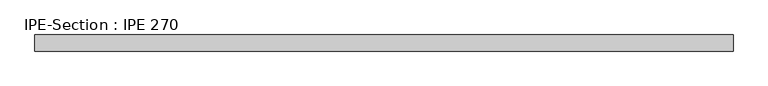
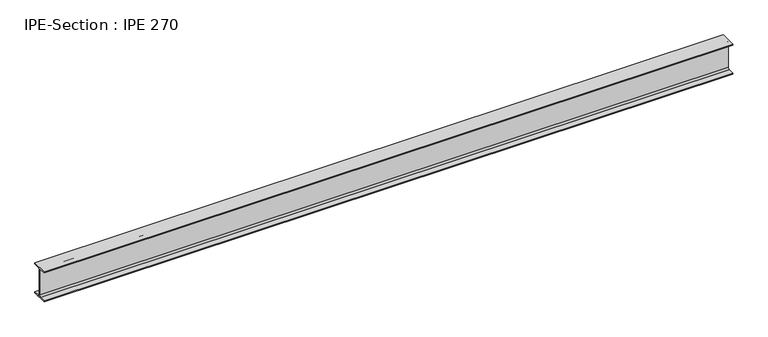
"""IFC4 building model written with IfcOpenShell, lengths in millimetres: beam geometry, IPE-Section : IPE 270."""

from ifc_helpers import new_model, si_unit, point, frame, frame_2d, origin, place, context, project, spatial, polyline, circle_curve, trimmed, segment, composite_curve, outline, extrude, source, transform, mapped, element, save


def ipe_section_ipe_270_469fb8f4(model_context):
    return source(origin(), model_context, "Body", "SweptSolid", [
        extrude(outline(composite_curve([segment(polyline([(67.5, -124.8), (67.5, -135.0), (-67.5, -135.0), (-67.5, -124.8), (-18.3, -124.8)]), True, "CONTINUOUS"), segment(trimmed(circle_curve(frame_2d((-18.3, -109.8)), 15.0), [point((-18.3, -124.8))], [point((-3.3, -109.8))], True, "CARTESIAN"), True, "CONTINUOUS"), segment(polyline([(-3.3, -109.8), (-3.3, 109.8)]), True, "CONTINUOUS"), segment(trimmed(circle_curve(frame_2d((-18.3, 109.8)), 15.0), [point((-3.3, 109.8))], [point((-18.3, 124.8))], True, "CARTESIAN"), True, "CONTINUOUS"), segment(polyline([(-18.3, 124.8), (-67.5, 124.8), (-67.5, 135.0), (67.5, 135.0), (67.5, 124.8), (18.3, 124.8)]), True, "CONTINUOUS"), segment(trimmed(circle_curve(frame_2d((18.3, 109.8)), 15.0), [point((18.3, 124.8))], [point((3.3, 109.8))], True, "CARTESIAN"), True, "CONTINUOUS"), segment(polyline([(3.3, 109.8), (3.3, -109.8)]), True, "CONTINUOUS"), segment(trimmed(circle_curve(frame_2d((18.3, -109.8)), 15.0), [point((3.3, -109.8))], [point((18.3, -124.8))], True, "CARTESIAN"), True, "CONTINUOUS"), segment(polyline([(18.3, -124.8), (67.5, -124.8)]), True, "CONTINUOUS")], self_intersect=False)), frame((-2918.4974916, 0.0, 0.0), z_axis=(1.0, 0.0, 0.0), x_axis=(0.0, 1.0, 0.0)), (0.0, 0.0, 1.0), 5827.9656693),
    ])


if __name__ == "__main__":
    model = new_model("IFC4")
    model_context = context("Model", 3, world=origin())
    ifc_project = project(units=[si_unit("LENGTHUNIT", "METRE", prefix="MILLI")], contexts=[model_context])
    site = spatial("IfcSite", under=ifc_project)
    building = spatial("IfcBuilding", under=site)
    placement = place(None, origin())
    ipe_section_ipe_270_shape = ipe_section_ipe_270_469fb8f4(model_context)
    element("IfcBeam", 1, ObjectType="IPE-Section : IPE 270", at=placement, inside=building, context=model_context, shape_type="MappedRepresentation", body=[
        mapped(ipe_section_ipe_270_shape, transform((0.0, 0.0, 0.0), x_axis=(1.0, 0.0, 0.0), y_axis=(0.0, 1.0, 0.0), z_axis=(0.0, 0.0, 1.0))),
    ])
    save(model, "model.ifc")
